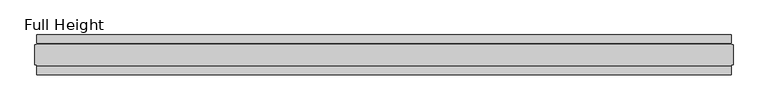
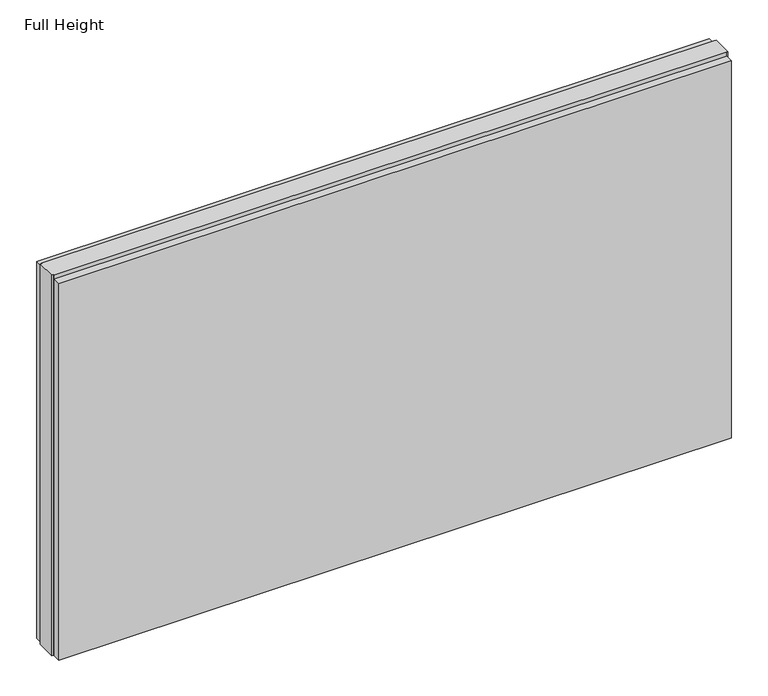
"""IFC4 building model written with IfcOpenShell, lengths in millimetres: plate geometry, Full Height."""

from ifc_helpers import new_model, si_unit, origin, origin_with_axes, place, context, project, spatial, polyline, outline, extrude, source, transform, mapped, element, save


def full_height_b58d1a4b(model_context):
    return source(origin(), model_context, "Body", "SweptSolid", [
        extrude(outline(polyline([(864.3067871, -28.956), (864.3067871, -49.53), (-864.3067871, -49.53), (-864.3067871, -28.956), (864.3067871, -28.956)])), origin_with_axes(), (0.0, 0.0, 1.0), 1025.652),
        extrude(outline(polyline([(864.3067871, 28.956), (-864.3067871, 28.956), (-864.3067871, 49.53), (864.3067871, 49.53), (864.3067871, 28.956)])), origin_with_axes(), (0.0, 0.0, 1.0), 1025.652),
        extrude(outline(polyline([(864.3067871, 25.146), (868.8787871, 25.146), (868.8787871, -25.146), (864.3067871, -25.146), (864.3067871, -26.67), (-864.3067871, -26.67), (-864.3067871, -25.146), (-868.8787871, -25.146), (-868.8787871, 25.146), (-864.3067871, 25.146), (-864.3067871, 26.67), (864.3067871, 26.67), (864.3067871, 25.146)])), origin_with_axes(), (0.0, 0.0, 1.0), 1034.796),
    ])


if __name__ == "__main__":
    model = new_model("IFC4")
    model_context = context("Model", 3, world=origin())
    ifc_project = project(units=[si_unit("LENGTHUNIT", "METRE", prefix="MILLI")], contexts=[model_context])
    site = spatial("IfcSite", under=ifc_project)
    building = spatial("IfcBuilding", under=site)
    placement = place(None, origin())
    full_height_shape = full_height_b58d1a4b(model_context)
    element("IfcPlate", 1, ObjectType="Full Height", at=placement, inside=building, context=model_context, shape_type="MappedRepresentation", body=[
        mapped(full_height_shape, transform((0.0, 0.0, 0.0), x_axis=(1.0, 0.0, 0.0), y_axis=(0.0, 1.0, 0.0), z_axis=(0.0, 0.0, 1.0))),
    ])
    save(model, "model.ifc")
